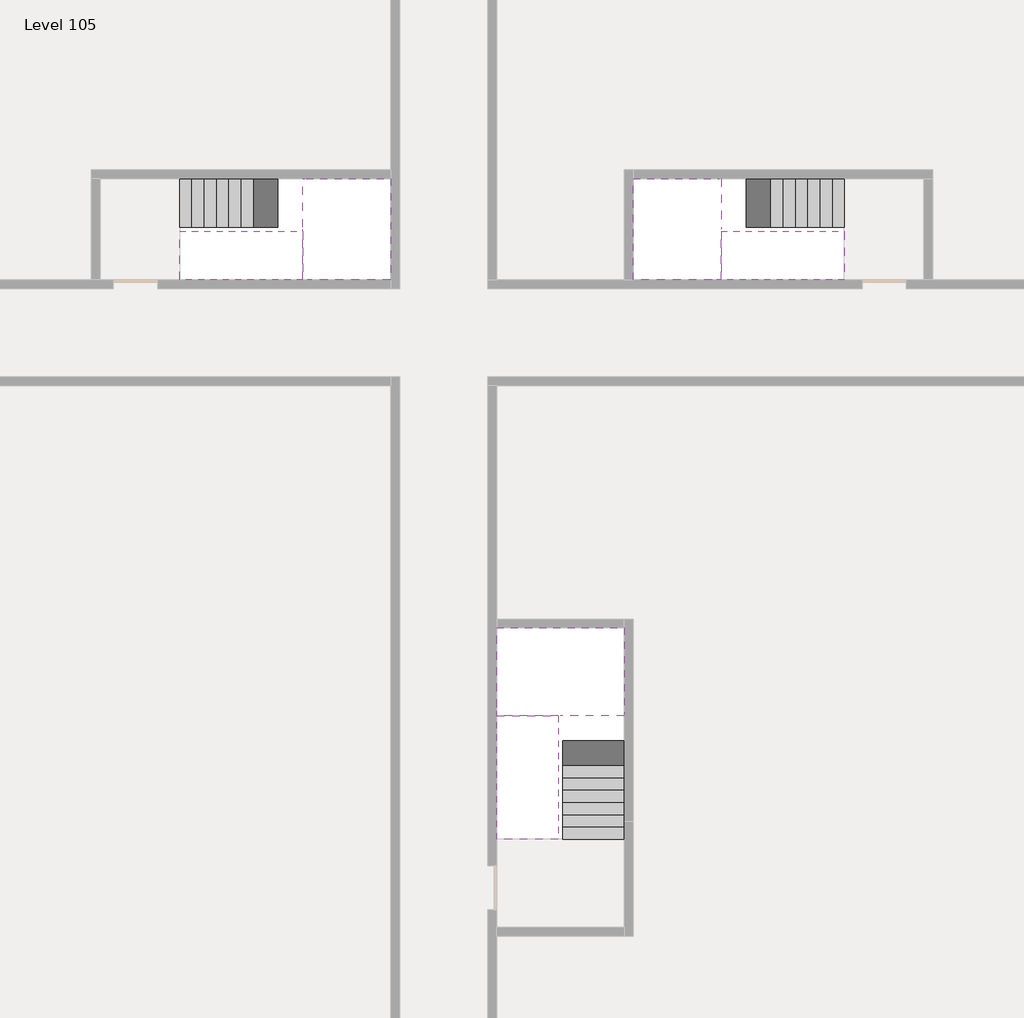
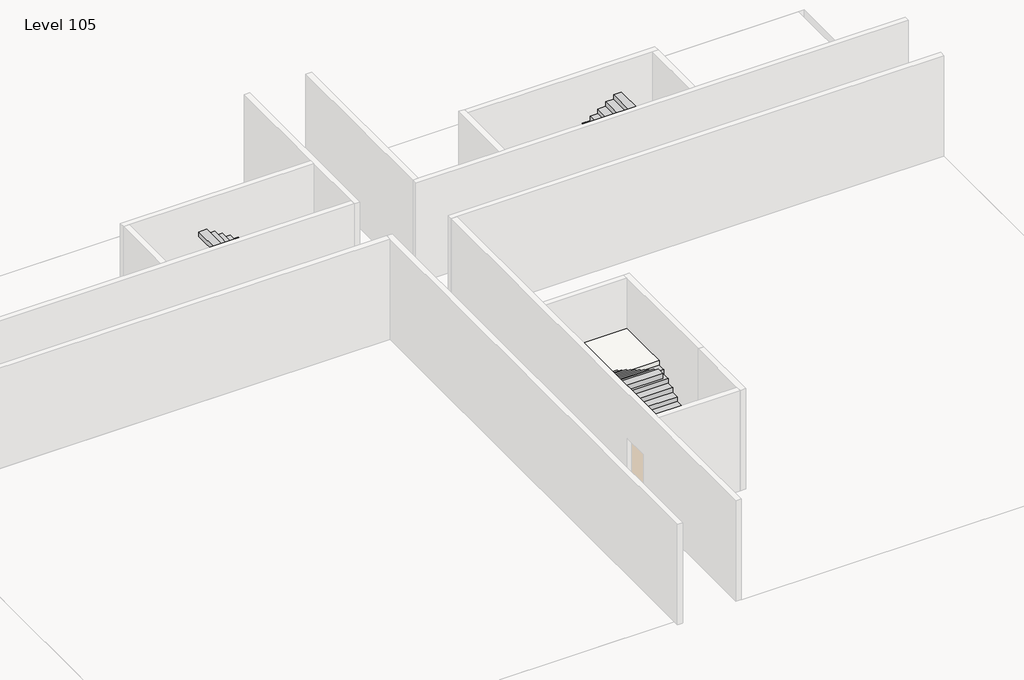
# One storey, part 2 of 2: 6 stair flights, 3 slabs.
"""IFC4 building model written with IfcOpenShell, lengths in millimetres."""

from ifc_helpers import new_model, si_unit, origin, place, context, project, spatial, faceted_brep, element, save

model = new_model("IFC4")

# Units and contexts
model_context = context("Model", 3, world=origin())
ifc_project = project(units=[si_unit("LENGTHUNIT", "METRE", prefix="MILLI")], contexts=[model_context])

# Site, building, storey
site = spatial("IfcSite", under=ifc_project)
building = spatial("IfcBuilding", under=site)
storey = spatial("IfcBuildingStorey", under=building, Name="Level 105", Elevation=395200.0)

# Slabs
placement = place(None, origin())
element("IfcSlab", 1, at=placement, inside=storey, context=model_context, shape_type="Brep", body=[
    faceted_brep([(26890.1058784, -40418.09644, 397100.0), (28290.1058784, -40418.09644, 397100.0), (28290.1058784, -40338.7100038, 397100.0), (28290.1058784, -38418.09644, 397100.0), (25390.1058784, -38418.09644, 397100.0), (25390.1058784, -40217.4828763, 397100.0), (25390.1058784, -40418.09644, 397100.0), (26790.1058784, -40418.09644, 397100.0), (26890.1058784, -40418.09644, 396800.0), (26890.1058784, -40418.09644, 396751.0278478), (28290.1058784, -40418.09644, 396751.0278478), (28290.1058784, -40418.09644, 396927.2727273), (28290.1058784, -40338.7100038, 396800.0), (28290.1058784, -38418.09644, 396800.0), (25390.1058784, -38418.09644, 396800.0), (25390.1058784, -40217.4828763, 396800.0), (25390.1058784, -40418.09644, 396923.7551205), (26790.1058784, -40418.09644, 396923.7551205), (26790.1058784, -40418.09644, 396800.0), (26790.1058784, -40217.4828763, 396800.0), (26890.1058784, -40338.7100038, 396800.0)], [[[0, 1, 2, 3, 4, 5, 6, 7]], [[1, 0, 8, 9, 10, 11]], [[1, 11, 10, 12, 13, 3, 2]], [[4, 3, 13, 14]], [[4, 14, 15, 16, 6, 5]], [[7, 6, 16, 17]], [[0, 7, 17, 18, 8]], [[18, 19, 15, 14, 13, 12, 20, 8]], [[19, 18, 17]], [[20, 12, 10, 9]], [[8, 20, 9]], [[15, 19, 17, 16]]]),
])
element("IfcSlab", 2, at=placement, inside=storey, context=model_context, shape_type="Brep", body=[
    faceted_brep([(20990.1058784, -28218.09644, 397100.0), (20990.1058784, -29318.09644, 397100.0), (20990.1058784, -29418.09644, 397100.0), (20990.1058784, -30518.09644, 397100.0), (21190.7194421, -30518.09644, 397100.0), (22990.1058784, -30518.09644, 397100.0), (22990.1058784, -28218.09644, 397100.0), (21069.4923146, -28218.09644, 397100.0), (20990.1058784, -28218.09644, 396927.2727273), (20990.1058784, -28218.09644, 396751.0278478), (20990.1058784, -29318.09644, 396751.0278478), (20990.1058784, -29318.09644, 396800.0), (20990.1058784, -29418.09644, 396800.0), (20990.1058784, -29418.09644, 396923.7551205), (20990.1058784, -30518.09644, 396923.7551205), (21190.7194421, -30518.09644, 396800.0), (22990.1058784, -30518.09644, 396800.0), (22990.1058784, -28218.09644, 396800.0), (21069.4923146, -28218.09644, 396800.0), (21190.7194421, -29418.09644, 396800.0), (21069.4923146, -29318.09644, 396800.0)], [[[0, 1, 2, 3, 4, 5, 6, 7]], [[1, 0, 8, 9, 10, 11]], [[2, 1, 11, 12, 13]], [[3, 2, 13, 14]], [[3, 14, 15, 16, 5, 4]], [[6, 5, 16, 17]], [[9, 8, 0, 7, 6, 17, 18]], [[19, 12, 11, 20, 18, 17, 16, 15]], [[12, 19, 13]], [[18, 20, 10, 9]], [[20, 11, 10]], [[19, 15, 14, 13]]]),
])
element("IfcSlab", 3, at=placement, inside=storey, context=model_context, shape_type="Brep", body=[
    faceted_brep([(30490.1058784, -29318.09644, 397100.0), (30490.1058784, -28218.09644, 397100.0), (30410.7194421, -28218.09644, 397100.0), (28490.1058784, -28218.09644, 397100.0), (28490.1058784, -30518.09644, 397100.0), (30289.4923146, -30518.09644, 397100.0), (30490.1058784, -30518.09644, 397100.0), (30490.1058784, -29418.09644, 397100.0), (30490.1058784, -29318.09644, 396800.0), (30490.1058784, -29318.09644, 396751.0278478), (30490.1058784, -28218.09644, 396751.0278478), (30490.1058784, -28218.09644, 396927.2727273), (30490.1058784, -29418.09644, 396923.7551205), (30490.1058784, -29418.09644, 396800.0), (30490.1058784, -30518.09644, 396923.7551205), (28490.1058784, -30518.09644, 396800.0), (30289.4923146, -30518.09644, 396800.0), (28490.1058784, -28218.09644, 396800.0), (30410.7194421, -28218.09644, 396800.0), (30289.4923146, -29418.09644, 396800.0), (30410.7194421, -29318.09644, 396800.0)], [[[0, 1, 2, 3, 4, 5, 6, 7]], [[1, 0, 8, 9, 10, 11]], [[0, 7, 12, 13, 8]], [[7, 6, 14, 12]], [[4, 15, 16, 14, 6, 5]], [[4, 3, 17, 15]], [[1, 11, 10, 18, 17, 3, 2]], [[13, 19, 16, 15, 17, 18, 20, 8]], [[20, 18, 10, 9]], [[8, 20, 9]], [[16, 19, 12, 14]], [[19, 13, 12]]]),
])

# Stair flights
element("IfcStairFlight", 4, at=placement, inside=storey, context=model_context, shape_type="Brep", body=[
    faceted_brep([(26890.1058784, -42938.09644, 395372.7272727), (26890.1058784, -43218.09644, 395372.7272727), (28290.1058784, -43218.09644, 395372.7272727), (28290.1058784, -42938.09644, 395372.7272727), (26890.1058784, -42938.09644, 395200.0), (26890.1058784, -43218.09644, 395200.0), (28290.1058784, -43218.09644, 395200.0), (28290.1058784, -42938.09644, 395200.0), (26890.1058784, -42658.09644, 395545.4545455), (26890.1058784, -42938.09644, 395545.4545455), (28290.1058784, -42938.09644, 395545.4545455), (28290.1058784, -42658.09644, 395545.4545455), (26890.1058784, -42658.09644, 395369.209666), (26890.1058784, -42932.3942143, 395200.0), (28290.1058784, -42932.3942143, 395200.0), (28290.1058784, -42658.09644, 395369.209666), (26890.1058784, -42378.09644, 395718.1818182), (26890.1058784, -42658.09644, 395718.1818182), (28290.1058784, -42658.09644, 395718.1818182), (28290.1058784, -42378.09644, 395718.1818182), (26890.1058784, -42378.09644, 395541.9369387), (28290.1058784, -42378.09644, 395541.9369387), (26890.1058784, -42098.09644, 395890.9090909), (26890.1058784, -42378.09644, 395890.9090909), (28290.1058784, -42378.09644, 395890.9090909), (28290.1058784, -42098.09644, 395890.9090909), (26890.1058784, -42098.09644, 395714.6642114), (28290.1058784, -42098.09644, 395714.6642114), (26890.1058784, -41818.09644, 396063.6363636), (26890.1058784, -42098.09644, 396063.6363636), (28290.1058784, -42098.09644, 396063.6363636), (28290.1058784, -41818.09644, 396063.6363636), (26890.1058784, -41818.09644, 395887.3914841), (28290.1058784, -41818.09644, 395887.3914841), (26890.1058784, -41538.09644, 396236.3636364), (26890.1058784, -41818.09644, 396236.3636364), (28290.1058784, -41818.09644, 396236.3636364), (28290.1058784, -41538.09644, 396236.3636364), (26890.1058784, -41538.09644, 396060.1187569), (28290.1058784, -41538.09644, 396060.1187569), (26890.1058784, -41258.09644, 396409.0909091), (26890.1058784, -41538.09644, 396409.0909091), (28290.1058784, -41538.09644, 396409.0909091), (28290.1058784, -41258.09644, 396409.0909091), (26890.1058784, -41258.09644, 396232.8460296), (28290.1058784, -41258.09644, 396232.8460296), (26890.1058784, -40978.09644, 396581.8181818), (26890.1058784, -41258.09644, 396581.8181818), (28290.1058784, -41258.09644, 396581.8181818), (28290.1058784, -40978.09644, 396581.8181818), (26890.1058784, -40978.09644, 396405.5733023), (28290.1058784, -40978.09644, 396405.5733023), (26890.1058784, -40698.09644, 396754.5454545), (26890.1058784, -40978.09644, 396754.5454545), (28290.1058784, -40978.09644, 396754.5454545), (28290.1058784, -40698.09644, 396754.5454545), (26890.1058784, -40698.09644, 396578.3005751), (28290.1058784, -40698.09644, 396578.3005751), (26890.1058784, -40418.09644, 396927.2727273), (26890.1058784, -40698.09644, 396927.2727273), (28290.1058784, -40698.09644, 396927.2727273), (28290.1058784, -40418.09644, 396927.2727273), (26890.1058784, -40418.09644, 396800.0), (26890.1058784, -40418.09644, 396751.0278478), (28290.1058784, -40418.09644, 396751.0278478)], [[[0, 1, 2, 3]], [[1, 0, 4, 5]], [[2, 1, 5, 6]], [[3, 2, 6, 7]], [[8, 9, 10, 11]], [[4, 0, 9, 8, 12, 13]], [[0, 3, 10, 9]], [[3, 7, 14, 15, 11, 10]], [[16, 17, 18, 19]], [[17, 16, 20, 12, 8]], [[8, 11, 18, 17]], [[19, 18, 11, 15, 21]], [[22, 23, 24, 25]], [[23, 22, 26, 20, 16]], [[16, 19, 24, 23]], [[25, 24, 19, 21, 27]], [[28, 29, 30, 31]], [[29, 28, 32, 26, 22]], [[22, 25, 30, 29]], [[31, 30, 25, 27, 33]], [[34, 35, 36, 37]], [[35, 34, 38, 32, 28]], [[28, 31, 36, 35]], [[37, 36, 31, 33, 39]], [[40, 41, 42, 43]], [[41, 40, 44, 38, 34]], [[34, 37, 42, 41]], [[43, 42, 37, 39, 45]], [[46, 47, 48, 49]], [[47, 46, 50, 44, 40]], [[40, 43, 48, 47]], [[49, 48, 43, 45, 51]], [[52, 53, 54, 55]], [[53, 52, 56, 50, 46]], [[46, 49, 54, 53]], [[55, 54, 49, 51, 57]], [[58, 59, 60, 61]], [[59, 58, 62, 63, 56, 52]], [[52, 55, 60, 59]], [[61, 60, 55, 57, 64]], [[58, 61, 64, 63, 62]], [[5, 4, 13, 14, 7, 6]], [[14, 13, 12, 20, 26, 32, 38, 44, 50, 56, 63, 64, 57, 51, 45, 39, 33, 27, 21, 15]]]),
])
element("IfcStairFlight", 5, at=placement, inside=storey, context=model_context, shape_type="Brep", body=[
    faceted_brep([(26790.1058784, -40698.09644, 397272.7272727), (26790.1058784, -40418.09644, 397272.7272727), (25390.1058784, -40418.09644, 397272.7272727), (25390.1058784, -40698.09644, 397272.7272727), (26790.1058784, -40698.09644, 397096.4823932), (26790.1058784, -40418.09644, 396923.7551205), (25390.1058784, -40418.09644, 396923.7551205), (25390.1058784, -40418.09644, 397100.0), (25390.1058784, -40698.09644, 397096.4823932), (26790.1058784, -40978.09644, 397445.4545455), (26790.1058784, -40698.09644, 397445.4545455), (25390.1058784, -40698.09644, 397445.4545455), (25390.1058784, -40978.09644, 397445.4545455), (26790.1058784, -40978.09644, 397269.209666), (25390.1058784, -40978.09644, 397269.209666), (26790.1058784, -41258.09644, 397618.1818182), (26790.1058784, -40978.09644, 397618.1818182), (25390.1058784, -40978.09644, 397618.1818182), (25390.1058784, -41258.09644, 397618.1818182), (26790.1058784, -41258.09644, 397441.9369387), (25390.1058784, -41258.09644, 397441.9369387), (26790.1058784, -41538.09644, 397790.9090909), (26790.1058784, -41258.09644, 397790.9090909), (25390.1058784, -41258.09644, 397790.9090909), (25390.1058784, -41538.09644, 397790.9090909), (26790.1058784, -41538.09644, 397614.6642114), (25390.1058784, -41538.09644, 397614.6642114), (26790.1058784, -41818.09644, 397963.6363636), (26790.1058784, -41538.09644, 397963.6363636), (25390.1058784, -41538.09644, 397963.6363636), (25390.1058784, -41818.09644, 397963.6363636), (26790.1058784, -41818.09644, 397787.3914841), (25390.1058784, -41818.09644, 397787.3914841), (26790.1058784, -42098.09644, 398136.3636364), (26790.1058784, -41818.09644, 398136.3636364), (25390.1058784, -41818.09644, 398136.3636364), (25390.1058784, -42098.09644, 398136.3636364), (26790.1058784, -42098.09644, 397960.1187569), (25390.1058784, -42098.09644, 397960.1187569), (26790.1058784, -42378.09644, 398309.0909091), (26790.1058784, -42098.09644, 398309.0909091), (25390.1058784, -42098.09644, 398309.0909091), (25390.1058784, -42378.09644, 398309.0909091), (26790.1058784, -42378.09644, 398132.8460296), (25390.1058784, -42378.09644, 398132.8460296), (26790.1058784, -42658.09644, 398481.8181818), (26790.1058784, -42378.09644, 398481.8181818), (25390.1058784, -42378.09644, 398481.8181818), (25390.1058784, -42658.09644, 398481.8181818), (26790.1058784, -42658.09644, 398305.5733023), (25390.1058784, -42658.09644, 398305.5733023), (26790.1058784, -42938.09644, 398654.5454545), (26790.1058784, -42658.09644, 398654.5454545), (25390.1058784, -42658.09644, 398654.5454545), (25390.1058784, -42938.09644, 398654.5454545), (26790.1058784, -42938.09644, 398478.3005751), (25390.1058784, -42938.09644, 398478.3005751), (26790.1058784, -43218.09644, 398827.2727273), (26790.1058784, -42938.09644, 398827.2727273), (25390.1058784, -42938.09644, 398827.2727273), (25390.1058784, -43218.09644, 398827.2727273), (26790.1058784, -43218.09644, 398651.0278478), (25390.1058784, -43218.09644, 398651.0278478)], [[[0, 1, 2, 3]], [[1, 0, 4, 5]], [[2, 1, 5, 6, 7]], [[3, 2, 7, 6, 8]], [[9, 10, 11, 12]], [[10, 9, 13, 4, 0]], [[11, 10, 0, 3]], [[12, 11, 3, 8, 14]], [[15, 16, 17, 18]], [[16, 15, 19, 13, 9]], [[17, 16, 9, 12]], [[18, 17, 12, 14, 20]], [[21, 22, 23, 24]], [[22, 21, 25, 19, 15]], [[23, 22, 15, 18]], [[24, 23, 18, 20, 26]], [[27, 28, 29, 30]], [[28, 27, 31, 25, 21]], [[29, 28, 21, 24]], [[30, 29, 24, 26, 32]], [[33, 34, 35, 36]], [[34, 33, 37, 31, 27]], [[35, 34, 27, 30]], [[36, 35, 30, 32, 38]], [[39, 40, 41, 42]], [[40, 39, 43, 37, 33]], [[41, 40, 33, 36]], [[42, 41, 36, 38, 44]], [[45, 46, 47, 48]], [[46, 45, 49, 43, 39]], [[47, 46, 39, 42]], [[48, 47, 42, 44, 50]], [[51, 52, 53, 54]], [[52, 51, 55, 49, 45]], [[53, 52, 45, 48]], [[54, 53, 48, 50, 56]], [[57, 58, 59, 60]], [[58, 57, 61, 55, 51]], [[59, 58, 51, 54]], [[60, 59, 54, 56, 62]], [[57, 60, 62, 61]], [[5, 4, 13, 19, 25, 31, 37, 43, 49, 55, 61, 62, 56, 50, 44, 38, 32, 26, 20, 14, 8, 6]]]),
])
element("IfcStairFlight", 6, at=placement, inside=storey, context=model_context, shape_type="Brep", body=[
    faceted_brep([(18470.1058784, -28218.09644, 395372.7272727), (18190.1058784, -28218.09644, 395372.7272727), (18190.1058784, -29318.09644, 395372.7272727), (18470.1058784, -29318.09644, 395372.7272727), (18470.1058784, -28218.09644, 395200.0), (18190.1058784, -28218.09644, 395200.0), (18190.1058784, -29318.09644, 395200.0), (18470.1058784, -29318.09644, 395200.0), (18750.1058784, -28218.09644, 395545.4545455), (18470.1058784, -28218.09644, 395545.4545455), (18470.1058784, -29318.09644, 395545.4545455), (18750.1058784, -29318.09644, 395545.4545455), (18750.1058784, -28218.09644, 395369.209666), (18475.8081041, -28218.09644, 395200.0), (18475.8081041, -29318.09644, 395200.0), (18750.1058784, -29318.09644, 395369.209666), (19030.1058784, -28218.09644, 395718.1818182), (18750.1058784, -28218.09644, 395718.1818182), (18750.1058784, -29318.09644, 395718.1818182), (19030.1058784, -29318.09644, 395718.1818182), (19030.1058784, -28218.09644, 395541.9369387), (19030.1058784, -29318.09644, 395541.9369387), (19310.1058784, -28218.09644, 395890.9090909), (19030.1058784, -28218.09644, 395890.9090909), (19030.1058784, -29318.09644, 395890.9090909), (19310.1058784, -29318.09644, 395890.9090909), (19310.1058784, -28218.09644, 395714.6642114), (19310.1058784, -29318.09644, 395714.6642114), (19590.1058784, -28218.09644, 396063.6363636), (19310.1058784, -28218.09644, 396063.6363636), (19310.1058784, -29318.09644, 396063.6363636), (19590.1058784, -29318.09644, 396063.6363636), (19590.1058784, -28218.09644, 395887.3914841), (19590.1058784, -29318.09644, 395887.3914841), (19870.1058784, -28218.09644, 396236.3636364), (19590.1058784, -28218.09644, 396236.3636364), (19590.1058784, -29318.09644, 396236.3636364), (19870.1058784, -29318.09644, 396236.3636364), (19870.1058784, -28218.09644, 396060.1187569), (19870.1058784, -29318.09644, 396060.1187569), (20150.1058784, -28218.09644, 396409.0909091), (19870.1058784, -28218.09644, 396409.0909091), (19870.1058784, -29318.09644, 396409.0909091), (20150.1058784, -29318.09644, 396409.0909091), (20150.1058784, -28218.09644, 396232.8460296), (20150.1058784, -29318.09644, 396232.8460296), (20430.1058784, -28218.09644, 396581.8181818), (20150.1058784, -28218.09644, 396581.8181818), (20150.1058784, -29318.09644, 396581.8181818), (20430.1058784, -29318.09644, 396581.8181818), (20430.1058784, -28218.09644, 396405.5733023), (20430.1058784, -29318.09644, 396405.5733023), (20710.1058784, -28218.09644, 396754.5454545), (20430.1058784, -28218.09644, 396754.5454545), (20430.1058784, -29318.09644, 396754.5454545), (20710.1058784, -29318.09644, 396754.5454545), (20710.1058784, -28218.09644, 396578.3005751), (20710.1058784, -29318.09644, 396578.3005751), (20990.1058784, -28218.09644, 396927.2727273), (20710.1058784, -28218.09644, 396927.2727273), (20710.1058784, -29318.09644, 396927.2727273), (20990.1058784, -29318.09644, 396927.2727273), (20990.1058784, -28218.09644, 396751.0278478), (20990.1058784, -29318.09644, 396751.0278478), (20990.1058784, -29318.09644, 396800.0)], [[[0, 1, 2, 3]], [[1, 0, 4, 5]], [[2, 1, 5, 6]], [[3, 2, 6, 7]], [[8, 9, 10, 11]], [[4, 0, 9, 8, 12, 13]], [[0, 3, 10, 9]], [[3, 7, 14, 15, 11, 10]], [[16, 17, 18, 19]], [[17, 16, 20, 12, 8]], [[8, 11, 18, 17]], [[19, 18, 11, 15, 21]], [[22, 23, 24, 25]], [[23, 22, 26, 20, 16]], [[16, 19, 24, 23]], [[25, 24, 19, 21, 27]], [[28, 29, 30, 31]], [[29, 28, 32, 26, 22]], [[22, 25, 30, 29]], [[31, 30, 25, 27, 33]], [[34, 35, 36, 37]], [[35, 34, 38, 32, 28]], [[28, 31, 36, 35]], [[37, 36, 31, 33, 39]], [[40, 41, 42, 43]], [[41, 40, 44, 38, 34]], [[34, 37, 42, 41]], [[43, 42, 37, 39, 45]], [[46, 47, 48, 49]], [[47, 46, 50, 44, 40]], [[40, 43, 48, 47]], [[49, 48, 43, 45, 51]], [[52, 53, 54, 55]], [[53, 52, 56, 50, 46]], [[46, 49, 54, 53]], [[55, 54, 49, 51, 57]], [[58, 59, 60, 61]], [[59, 58, 62, 56, 52]], [[52, 55, 60, 59]], [[61, 60, 55, 57, 63, 64]], [[58, 61, 64, 63, 62]], [[5, 4, 13, 14, 7, 6]], [[14, 13, 12, 20, 26, 32, 38, 44, 50, 56, 62, 63, 57, 51, 45, 39, 33, 27, 21, 15]]]),
])
element("IfcStairFlight", 7, at=placement, inside=storey, context=model_context, shape_type="Brep", body=[
    faceted_brep([(20710.1058784, -30518.09644, 397272.7272727), (20990.1058784, -30518.09644, 397272.7272727), (20990.1058784, -29418.09644, 397272.7272727), (20710.1058784, -29418.09644, 397272.7272727), (20710.1058784, -30518.09644, 397096.4823932), (20990.1058784, -30518.09644, 396923.7551205), (20990.1058784, -30518.09644, 397100.0), (20990.1058784, -29418.09644, 396923.7551205), (20710.1058784, -29418.09644, 397096.4823932), (20430.1058784, -30518.09644, 397445.4545455), (20710.1058784, -30518.09644, 397445.4545455), (20710.1058784, -29418.09644, 397445.4545455), (20430.1058784, -29418.09644, 397445.4545455), (20430.1058784, -30518.09644, 397269.209666), (20430.1058784, -29418.09644, 397269.209666), (20150.1058784, -30518.09644, 397618.1818182), (20430.1058784, -30518.09644, 397618.1818182), (20430.1058784, -29418.09644, 397618.1818182), (20150.1058784, -29418.09644, 397618.1818182), (20150.1058784, -30518.09644, 397441.9369387), (20150.1058784, -29418.09644, 397441.9369387), (19870.1058784, -30518.09644, 397790.9090909), (20150.1058784, -30518.09644, 397790.9090909), (20150.1058784, -29418.09644, 397790.9090909), (19870.1058784, -29418.09644, 397790.9090909), (19870.1058784, -30518.09644, 397614.6642114), (19870.1058784, -29418.09644, 397614.6642114), (19590.1058784, -30518.09644, 397963.6363636), (19870.1058784, -30518.09644, 397963.6363636), (19870.1058784, -29418.09644, 397963.6363636), (19590.1058784, -29418.09644, 397963.6363636), (19590.1058784, -30518.09644, 397787.3914841), (19590.1058784, -29418.09644, 397787.3914841), (19310.1058784, -30518.09644, 398136.3636364), (19590.1058784, -30518.09644, 398136.3636364), (19590.1058784, -29418.09644, 398136.3636364), (19310.1058784, -29418.09644, 398136.3636364), (19310.1058784, -30518.09644, 397960.1187569), (19310.1058784, -29418.09644, 397960.1187569), (19030.1058784, -30518.09644, 398309.0909091), (19310.1058784, -30518.09644, 398309.0909091), (19310.1058784, -29418.09644, 398309.0909091), (19030.1058784, -29418.09644, 398309.0909091), (19030.1058784, -30518.09644, 398132.8460296), (19030.1058784, -29418.09644, 398132.8460296), (18750.1058784, -30518.09644, 398481.8181818), (19030.1058784, -30518.09644, 398481.8181818), (19030.1058784, -29418.09644, 398481.8181818), (18750.1058784, -29418.09644, 398481.8181818), (18750.1058784, -30518.09644, 398305.5733023), (18750.1058784, -29418.09644, 398305.5733023), (18470.1058784, -30518.09644, 398654.5454545), (18750.1058784, -30518.09644, 398654.5454545), (18750.1058784, -29418.09644, 398654.5454545), (18470.1058784, -29418.09644, 398654.5454545), (18470.1058784, -30518.09644, 398478.3005751), (18470.1058784, -29418.09644, 398478.3005751), (18190.1058784, -30518.09644, 398827.2727273), (18470.1058784, -30518.09644, 398827.2727273), (18470.1058784, -29418.09644, 398827.2727273), (18190.1058784, -29418.09644, 398827.2727273), (18190.1058784, -30518.09644, 398651.0278478), (18190.1058784, -29418.09644, 398651.0278478)], [[[0, 1, 2, 3]], [[1, 0, 4, 5, 6]], [[2, 1, 6, 5, 7]], [[3, 2, 7, 8]], [[9, 10, 11, 12]], [[10, 9, 13, 4, 0]], [[11, 10, 0, 3]], [[12, 11, 3, 8, 14]], [[15, 16, 17, 18]], [[16, 15, 19, 13, 9]], [[17, 16, 9, 12]], [[18, 17, 12, 14, 20]], [[21, 22, 23, 24]], [[22, 21, 25, 19, 15]], [[23, 22, 15, 18]], [[24, 23, 18, 20, 26]], [[27, 28, 29, 30]], [[28, 27, 31, 25, 21]], [[29, 28, 21, 24]], [[30, 29, 24, 26, 32]], [[33, 34, 35, 36]], [[34, 33, 37, 31, 27]], [[35, 34, 27, 30]], [[36, 35, 30, 32, 38]], [[39, 40, 41, 42]], [[40, 39, 43, 37, 33]], [[41, 40, 33, 36]], [[42, 41, 36, 38, 44]], [[45, 46, 47, 48]], [[46, 45, 49, 43, 39]], [[47, 46, 39, 42]], [[48, 47, 42, 44, 50]], [[51, 52, 53, 54]], [[52, 51, 55, 49, 45]], [[53, 52, 45, 48]], [[54, 53, 48, 50, 56]], [[57, 58, 59, 60]], [[58, 57, 61, 55, 51]], [[59, 58, 51, 54]], [[60, 59, 54, 56, 62]], [[57, 60, 62, 61]], [[5, 4, 13, 19, 25, 31, 37, 43, 49, 55, 61, 62, 56, 50, 44, 38, 32, 26, 20, 14, 8, 7]]]),
])
element("IfcStairFlight", 8, at=placement, inside=storey, context=model_context, shape_type="Brep", body=[
    faceted_brep([(33010.1058784, -29318.09644, 395372.7272727), (33290.1058784, -29318.09644, 395372.7272727), (33290.1058784, -28218.09644, 395372.7272727), (33010.1058784, -28218.09644, 395372.7272727), (33290.1058784, -28218.09644, 395200.0), (33010.1058784, -28218.09644, 395200.0), (33290.1058784, -29318.09644, 395200.0), (33010.1058784, -29318.09644, 395200.0), (32730.1058784, -29318.09644, 395545.4545455), (33010.1058784, -29318.09644, 395545.4545455), (33010.1058784, -28218.09644, 395545.4545455), (32730.1058784, -28218.09644, 395545.4545455), (33004.4036527, -28218.09644, 395200.0), (32730.1058784, -28218.09644, 395369.209666), (32730.1058784, -29318.09644, 395369.209666), (33004.4036527, -29318.09644, 395200.0), (32450.1058784, -29318.09644, 395718.1818182), (32730.1058784, -29318.09644, 395718.1818182), (32730.1058784, -28218.09644, 395718.1818182), (32450.1058784, -28218.09644, 395718.1818182), (32450.1058784, -28218.09644, 395541.9369387), (32450.1058784, -29318.09644, 395541.9369387), (32170.1058784, -29318.09644, 395890.9090909), (32450.1058784, -29318.09644, 395890.9090909), (32450.1058784, -28218.09644, 395890.9090909), (32170.1058784, -28218.09644, 395890.9090909), (32170.1058784, -28218.09644, 395714.6642114), (32170.1058784, -29318.09644, 395714.6642114), (31890.1058784, -29318.09644, 396063.6363636), (32170.1058784, -29318.09644, 396063.6363636), (32170.1058784, -28218.09644, 396063.6363636), (31890.1058784, -28218.09644, 396063.6363636), (31890.1058784, -28218.09644, 395887.3914841), (31890.1058784, -29318.09644, 395887.3914841), (31610.1058784, -29318.09644, 396236.3636364), (31890.1058784, -29318.09644, 396236.3636364), (31890.1058784, -28218.09644, 396236.3636364), (31610.1058784, -28218.09644, 396236.3636364), (31610.1058784, -28218.09644, 396060.1187569), (31610.1058784, -29318.09644, 396060.1187569), (31330.1058784, -29318.09644, 396409.0909091), (31610.1058784, -29318.09644, 396409.0909091), (31610.1058784, -28218.09644, 396409.0909091), (31330.1058784, -28218.09644, 396409.0909091), (31330.1058784, -28218.09644, 396232.8460296), (31330.1058784, -29318.09644, 396232.8460296), (31050.1058784, -29318.09644, 396581.8181818), (31330.1058784, -29318.09644, 396581.8181818), (31330.1058784, -28218.09644, 396581.8181818), (31050.1058784, -28218.09644, 396581.8181818), (31050.1058784, -28218.09644, 396405.5733023), (31050.1058784, -29318.09644, 396405.5733023), (30770.1058784, -29318.09644, 396754.5454545), (31050.1058784, -29318.09644, 396754.5454545), (31050.1058784, -28218.09644, 396754.5454545), (30770.1058784, -28218.09644, 396754.5454545), (30770.1058784, -28218.09644, 396578.3005751), (30770.1058784, -29318.09644, 396578.3005751), (30490.1058784, -29318.09644, 396927.2727273), (30770.1058784, -29318.09644, 396927.2727273), (30770.1058784, -28218.09644, 396927.2727273), (30490.1058784, -28218.09644, 396927.2727273), (30490.1058784, -28218.09644, 396751.0278478), (30490.1058784, -29318.09644, 396800.0), (30490.1058784, -29318.09644, 396751.0278478)], [[[0, 1, 2, 3]], [[3, 2, 4, 5]], [[2, 1, 6, 4]], [[1, 0, 7, 6]], [[8, 9, 10, 11]], [[3, 5, 12, 13, 11, 10]], [[0, 3, 10, 9]], [[7, 0, 9, 8, 14, 15]], [[16, 17, 18, 19]], [[19, 18, 11, 13, 20]], [[8, 11, 18, 17]], [[17, 16, 21, 14, 8]], [[22, 23, 24, 25]], [[25, 24, 19, 20, 26]], [[16, 19, 24, 23]], [[23, 22, 27, 21, 16]], [[28, 29, 30, 31]], [[31, 30, 25, 26, 32]], [[22, 25, 30, 29]], [[29, 28, 33, 27, 22]], [[34, 35, 36, 37]], [[37, 36, 31, 32, 38]], [[28, 31, 36, 35]], [[35, 34, 39, 33, 28]], [[40, 41, 42, 43]], [[43, 42, 37, 38, 44]], [[34, 37, 42, 41]], [[41, 40, 45, 39, 34]], [[46, 47, 48, 49]], [[49, 48, 43, 44, 50]], [[40, 43, 48, 47]], [[47, 46, 51, 45, 40]], [[52, 53, 54, 55]], [[55, 54, 49, 50, 56]], [[46, 49, 54, 53]], [[53, 52, 57, 51, 46]], [[58, 59, 60, 61]], [[61, 60, 55, 56, 62]], [[52, 55, 60, 59]], [[59, 58, 63, 64, 57, 52]], [[58, 61, 62, 64, 63]], [[6, 7, 15, 12, 5, 4]], [[12, 15, 14, 21, 27, 33, 39, 45, 51, 57, 64, 62, 56, 50, 44, 38, 32, 26, 20, 13]]]),
])
element("IfcStairFlight", 9, at=placement, inside=storey, context=model_context, shape_type="Brep", body=[
    faceted_brep([(30770.1058784, -29418.09644, 397272.7272727), (30490.1058784, -29418.09644, 397272.7272727), (30490.1058784, -30518.09644, 397272.7272727), (30770.1058784, -30518.09644, 397272.7272727), (30490.1058784, -30518.09644, 397100.0), (30490.1058784, -30518.09644, 396923.7551205), (30770.1058784, -30518.09644, 397096.4823932), (30490.1058784, -29418.09644, 396923.7551205), (30770.1058784, -29418.09644, 397096.4823932), (31050.1058784, -29418.09644, 397445.4545455), (30770.1058784, -29418.09644, 397445.4545455), (30770.1058784, -30518.09644, 397445.4545455), (31050.1058784, -30518.09644, 397445.4545455), (31050.1058784, -30518.09644, 397269.209666), (31050.1058784, -29418.09644, 397269.209666), (31330.1058784, -29418.09644, 397618.1818182), (31050.1058784, -29418.09644, 397618.1818182), (31050.1058784, -30518.09644, 397618.1818182), (31330.1058784, -30518.09644, 397618.1818182), (31330.1058784, -30518.09644, 397441.9369387), (31330.1058784, -29418.09644, 397441.9369387), (31610.1058784, -29418.09644, 397790.9090909), (31330.1058784, -29418.09644, 397790.9090909), (31330.1058784, -30518.09644, 397790.9090909), (31610.1058784, -30518.09644, 397790.9090909), (31610.1058784, -30518.09644, 397614.6642114), (31610.1058784, -29418.09644, 397614.6642114), (31890.1058784, -29418.09644, 397963.6363636), (31610.1058784, -29418.09644, 397963.6363636), (31610.1058784, -30518.09644, 397963.6363636), (31890.1058784, -30518.09644, 397963.6363636), (31890.1058784, -30518.09644, 397787.3914841), (31890.1058784, -29418.09644, 397787.3914841), (32170.1058784, -29418.09644, 398136.3636364), (31890.1058784, -29418.09644, 398136.3636364), (31890.1058784, -30518.09644, 398136.3636364), (32170.1058784, -30518.09644, 398136.3636364), (32170.1058784, -30518.09644, 397960.1187569), (32170.1058784, -29418.09644, 397960.1187569), (32450.1058784, -29418.09644, 398309.0909091), (32170.1058784, -29418.09644, 398309.0909091), (32170.1058784, -30518.09644, 398309.0909091), (32450.1058784, -30518.09644, 398309.0909091), (32450.1058784, -30518.09644, 398132.8460296), (32450.1058784, -29418.09644, 398132.8460296), (32730.1058784, -29418.09644, 398481.8181818), (32450.1058784, -29418.09644, 398481.8181818), (32450.1058784, -30518.09644, 398481.8181818), (32730.1058784, -30518.09644, 398481.8181818), (32730.1058784, -30518.09644, 398305.5733023), (32730.1058784, -29418.09644, 398305.5733023), (33010.1058784, -29418.09644, 398654.5454545), (32730.1058784, -29418.09644, 398654.5454545), (32730.1058784, -30518.09644, 398654.5454545), (33010.1058784, -30518.09644, 398654.5454545), (33010.1058784, -30518.09644, 398478.3005751), (33010.1058784, -29418.09644, 398478.3005751), (33290.1058784, -29418.09644, 398827.2727273), (33010.1058784, -29418.09644, 398827.2727273), (33010.1058784, -30518.09644, 398827.2727273), (33290.1058784, -30518.09644, 398827.2727273), (33290.1058784, -30518.09644, 398651.0278478), (33290.1058784, -29418.09644, 398651.0278478)], [[[0, 1, 2, 3]], [[3, 2, 4, 5, 6]], [[2, 1, 7, 5, 4]], [[1, 0, 8, 7]], [[9, 10, 11, 12]], [[12, 11, 3, 6, 13]], [[11, 10, 0, 3]], [[10, 9, 14, 8, 0]], [[15, 16, 17, 18]], [[18, 17, 12, 13, 19]], [[17, 16, 9, 12]], [[16, 15, 20, 14, 9]], [[21, 22, 23, 24]], [[24, 23, 18, 19, 25]], [[23, 22, 15, 18]], [[22, 21, 26, 20, 15]], [[27, 28, 29, 30]], [[30, 29, 24, 25, 31]], [[29, 28, 21, 24]], [[28, 27, 32, 26, 21]], [[33, 34, 35, 36]], [[36, 35, 30, 31, 37]], [[35, 34, 27, 30]], [[34, 33, 38, 32, 27]], [[39, 40, 41, 42]], [[42, 41, 36, 37, 43]], [[41, 40, 33, 36]], [[40, 39, 44, 38, 33]], [[45, 46, 47, 48]], [[48, 47, 42, 43, 49]], [[47, 46, 39, 42]], [[46, 45, 50, 44, 39]], [[51, 52, 53, 54]], [[54, 53, 48, 49, 55]], [[53, 52, 45, 48]], [[52, 51, 56, 50, 45]], [[57, 58, 59, 60]], [[60, 59, 54, 55, 61]], [[59, 58, 51, 54]], [[58, 57, 62, 56, 51]], [[57, 60, 61, 62]], [[7, 8, 14, 20, 26, 32, 38, 44, 50, 56, 62, 61, 55, 49, 43, 37, 31, 25, 19, 13, 6, 5]]]),
])

save(model, "model.ifc")
